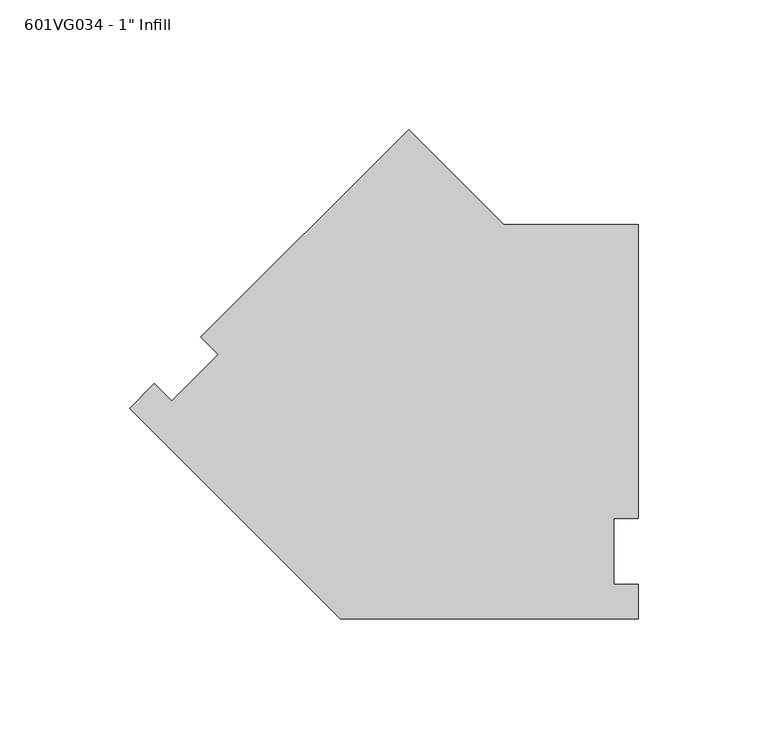
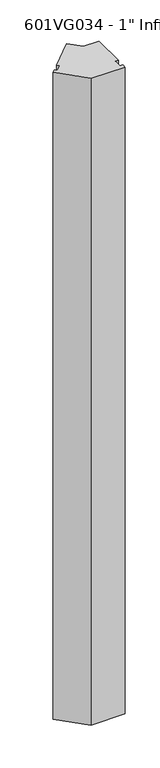
"""IFC4 building model written with IfcOpenShell, lengths in millimetres: proxy geometry."""

from ifc_helpers import new_model, si_unit, frame, origin, place, context, project, spatial, polyline, outline, extrude, source, transform, mapped, element, save


def proxy_fdf37d23(model_context):
    return source(origin(), model_context, "Body", "SweptSolid", [
        extrude(outline(polyline([(15.5378695, 162.9528946), (52.2845141, 126.20625), (104.2521172, 126.20625), (104.2521172, 12.7), (94.7271172, 12.7), (94.7271172, -12.7), (104.2521172, -12.7), (104.2521172, -26.19375), (-10.8498065, -26.19375), (-92.2292908, 55.1857343), (-82.6877686, 64.7272564), (-75.9525765, 57.9920643), (-57.9920643, 75.9525765), (-64.7272564, 82.6877686), (15.5378695, 162.9528946)])), frame((0.0, 0.0, 63.5), z_axis=(0.0, 0.0, 1.0), x_axis=(1.0, 0.0, 0.0)), (0.0, 0.0, 1.0), 2311.4),
    ])


if __name__ == "__main__":
    model = new_model("IFC4")
    model_context = context("Model", 3, world=origin())
    ifc_project = project(units=[si_unit("LENGTHUNIT", "METRE", prefix="MILLI")], contexts=[model_context])
    site = spatial("IfcSite", under=ifc_project)
    building = spatial("IfcBuilding", under=site)
    placement = place(None, origin())
    proxy_shape = proxy_fdf37d23(model_context)
    element("IfcBuildingElementProxy", 1, Name="601VG034 - 1\" Infill", ObjectType="601VG034 - 1\" Infill", at=placement, inside=building, context=model_context, shape_type="MappedRepresentation", body=[
        mapped(proxy_shape, transform((0.0, 0.0, 0.0), x_axis=(1.0, 0.0, 0.0), y_axis=(0.0, 1.0, 0.0), z_axis=(0.0, 0.0, 1.0))),
    ])
    save(model, "model.ifc")
